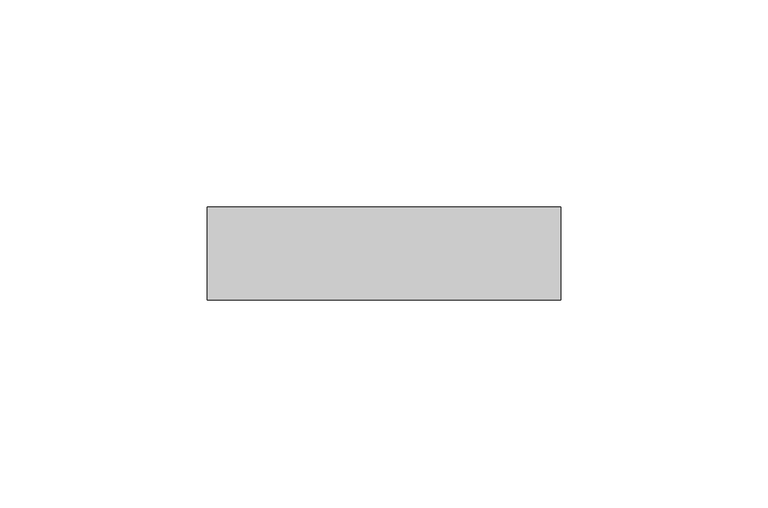
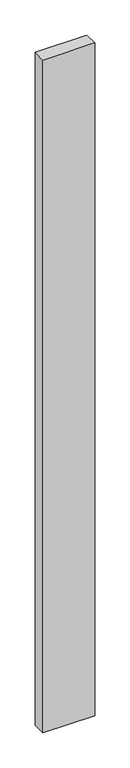
"""IFC4 building model written with IfcOpenShell, lengths in millimetres: furniture geometry."""

from ifc_helpers import new_model, si_unit, origin, origin_with_axes, place, context, project, spatial, polyline, outline, extrude, source, transform, mapped, element, save


def furniture_633fe6ac(model_context):
    return source(origin(), model_context, "Body", "SweptSolid", [
        extrude(outline(polyline([(86.9949988, 0.0), (86.9949988, -22.3332866), (1.905, -22.3332866), (1.905, 0.0), (86.9949988, 0.0)])), origin_with_axes(), (0.0, 0.0, 1.0), 1168.4),
    ])


if __name__ == "__main__":
    model = new_model("IFC4")
    model_context = context("Model", 3, world=origin())
    ifc_project = project(units=[si_unit("LENGTHUNIT", "METRE", prefix="MILLI")], contexts=[model_context])
    site = spatial("IfcSite", under=ifc_project)
    building = spatial("IfcBuilding", under=site)
    placement = place(None, origin())
    furniture_shape = furniture_633fe6ac(model_context)
    element("IfcFurniture", 1, at=placement, inside=building, context=model_context, shape_type="MappedRepresentation", body=[
        mapped(furniture_shape, transform((0.0, 0.0, 0.0), x_axis=(1.0, 0.0, 0.0), y_axis=(0.0, 1.0, 0.0), z_axis=(0.0, 0.0, 1.0))),
    ])
    save(model, "model.ifc")
